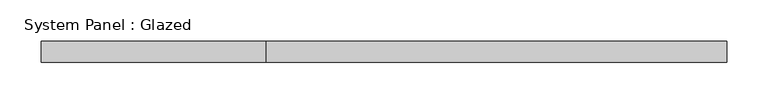
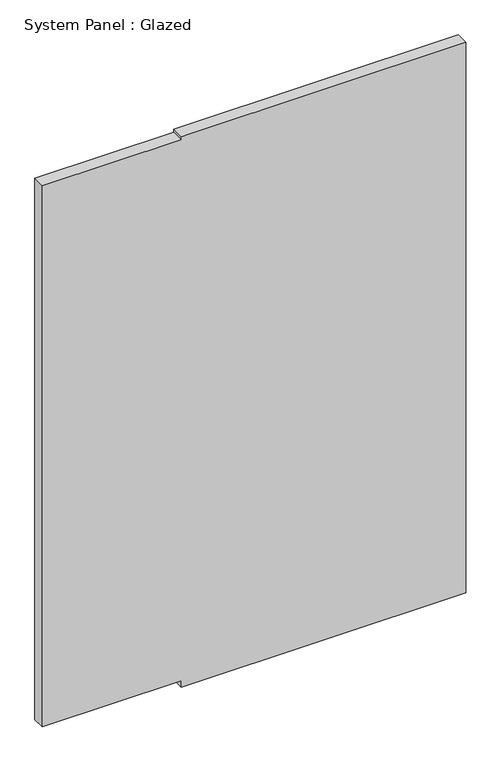
"""IFC4 building model written with IfcOpenShell, lengths in millimetres: plate geometry, System Panel : Glazed."""

from ifc_helpers import new_model, si_unit, frame, origin, place, context, project, spatial, polyline, outline, extrude, source, transform, mapped, element, save


def system_panel_glazed_86c9807d(model_context):
    return source(origin(), model_context, "Body", "SweptSolid", [
        extrude(outline(polyline([(0.0, -142.875), (0.0, 415.925), (1143.0, 415.925), (1143.0, -142.875), (1136.65, -142.875), (1136.65, -415.925), (12.7, -415.925), (12.7, -142.875), (0.0, -142.875)])), frame((0.0, -44.45, 0.0), z_axis=(0.0, 1.0, 0.0), x_axis=(0.0, 0.0, 1.0)), (0.0, 0.0, 1.0), 25.4),
    ])


if __name__ == "__main__":
    model = new_model("IFC4")
    model_context = context("Model", 3, world=origin())
    ifc_project = project(units=[si_unit("LENGTHUNIT", "METRE", prefix="MILLI")], contexts=[model_context])
    site = spatial("IfcSite", under=ifc_project)
    building = spatial("IfcBuilding", under=site)
    placement = place(None, origin())
    system_panel_glazed_shape = system_panel_glazed_86c9807d(model_context)
    element("IfcPlate", 1, ObjectType="System Panel : Glazed", at=placement, inside=building, context=model_context, shape_type="MappedRepresentation", body=[
        mapped(system_panel_glazed_shape, transform((0.0, 0.0, 0.0), x_axis=(1.0, 0.0, 0.0), y_axis=(0.0, 1.0, 0.0), z_axis=(0.0, 0.0, 1.0))),
    ])
    save(model, "model.ifc")
